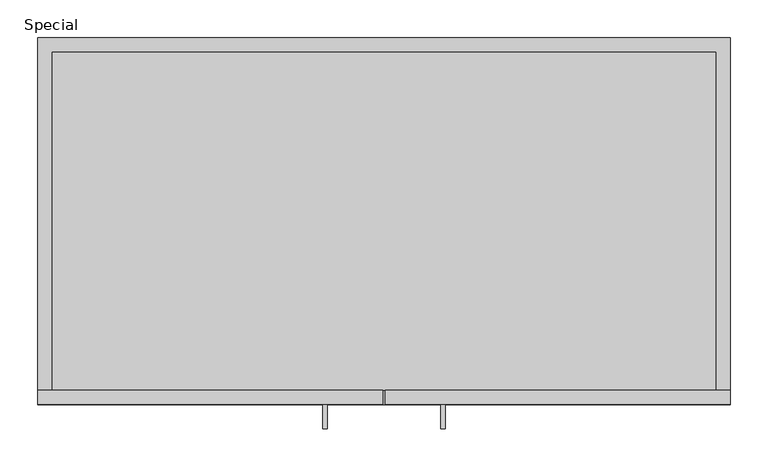
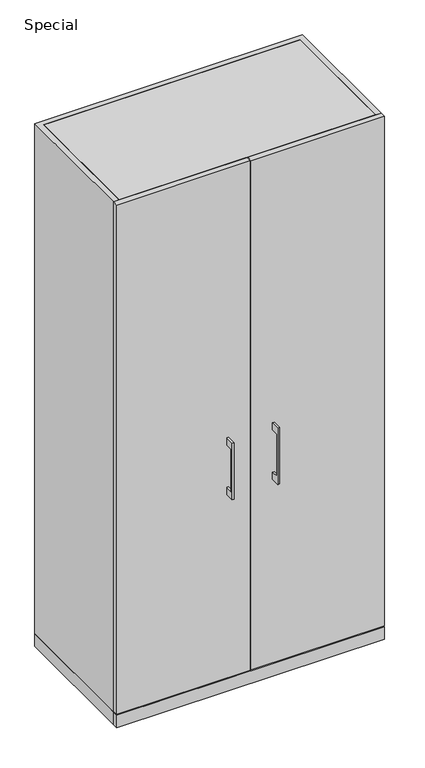
"""IFC4 building model written with IfcOpenShell, lengths in millimetres: furniture geometry, Special."""

from ifc_helpers import new_model, si_unit, frame, origin, origin_with_axes, place, context, project, spatial, polyline, outline, extrude, source, transform, mapped, element, save


def special_e92df88d(model_context):
    return source(origin(), model_context, "Body", "SweptSolid", [
        extrude(outline(polyline([(-482.6, 885.825), (-507.9999758, 885.825), (-507.9999758, 733.425), (-482.6, 733.425), (-482.6, 708.025), (-514.3499879, 708.025), (-514.3499879, 911.225), (-482.6, 911.225), (-482.6, 885.825)])), frame((153.9875121, 0.0, 0.0), z_axis=(1.0, 0.0, 0.0), x_axis=(0.0, 1.0, 0.0)), (0.0, 0.0, 1.0), 6.3499758),
        extrude(outline(polyline([(80.9625, -482.6), (80.9625, -463.55), (534.9875, -463.55), (534.9875, -482.6), (80.9625, -482.6)])), frame((0.0, 0.0, 47.625), z_axis=(0.0, 0.0, 1.0), x_axis=(1.0, 0.0, 0.0)), (0.0, 0.0, 1.0), 1831.975),
        extrude(outline(polyline([(-482.6, 885.825), (-507.9999758, 885.825), (-507.9999758, 733.425), (-482.6, 733.425), (-482.6, 708.025), (-514.3499879, 708.025), (-514.3499879, 911.225), (-482.6, 911.225), (-482.6, 885.825)])), frame((-1.5874879, 0.0, 0.0), z_axis=(1.0, 0.0, 0.0), x_axis=(0.0, 1.0, 0.0)), (0.0, 0.0, 1.0), 6.3499758),
        extrude(outline(polyline([(77.7875, -482.6), (-376.2375, -482.6), (-376.2375, -463.55), (77.7875, -463.55), (77.7875, -482.6)])), frame((0.0, 0.0, 47.625), z_axis=(0.0, 0.0, 1.0), x_axis=(1.0, 0.0, 0.0)), (0.0, 0.0, 1.0), 1831.975),
        extrude(outline(polyline([(534.9875, -463.55), (534.9875, -482.6), (-376.2375, -482.6), (-376.2375, -463.55), (534.9875, -463.55)])), origin_with_axes(), (0.0, 0.0, 1.0), 44.45),
        extrude(outline(polyline([(534.9875, 0.0), (534.9875, -463.55), (-376.2375, -463.55), (-376.2375, 0.0), (534.9875, 0.0)])), origin_with_axes(), (0.0, 0.0, 1.0), 44.45),
        extrude(outline(polyline([(515.9375, -19.05), (515.9375, -463.55), (-357.1875, -463.55), (-357.1875, -19.05), (515.9375, -19.05)])), frame((0.0, 0.0, 1860.55), z_axis=(0.0, 0.0, 1.0), x_axis=(1.0, 0.0, 0.0)), (0.0, 0.0, 1.0), 19.05),
        extrude(outline(polyline([(534.9875, 0.0), (534.9875, -463.55), (515.9375, -463.55), (515.9375, -19.05), (-357.1875, -19.05), (-357.1875, -463.55), (-376.2375, -463.55), (-376.2375, 0.0), (534.9875, 0.0)])), frame((0.0, 0.0, 44.45), z_axis=(0.0, 0.0, 1.0), x_axis=(1.0, 0.0, 0.0)), (0.0, 0.0, 1.0), 1835.15),
    ])


if __name__ == "__main__":
    model = new_model("IFC4")
    model_context = context("Model", 3, world=origin())
    ifc_project = project(units=[si_unit("LENGTHUNIT", "METRE", prefix="MILLI")], contexts=[model_context])
    site = spatial("IfcSite", under=ifc_project)
    building = spatial("IfcBuilding", under=site)
    placement = place(None, origin())
    special_shape = special_e92df88d(model_context)
    element("IfcFurniture", 1, ObjectType="Special", at=placement, inside=building, context=model_context, shape_type="MappedRepresentation", body=[
        mapped(special_shape, transform((0.0, 0.0, 0.0), x_axis=(1.0, 0.0, 0.0), y_axis=(0.0, 1.0, 0.0), z_axis=(0.0, 0.0, 1.0))),
    ])
    save(model, "model.ifc")
